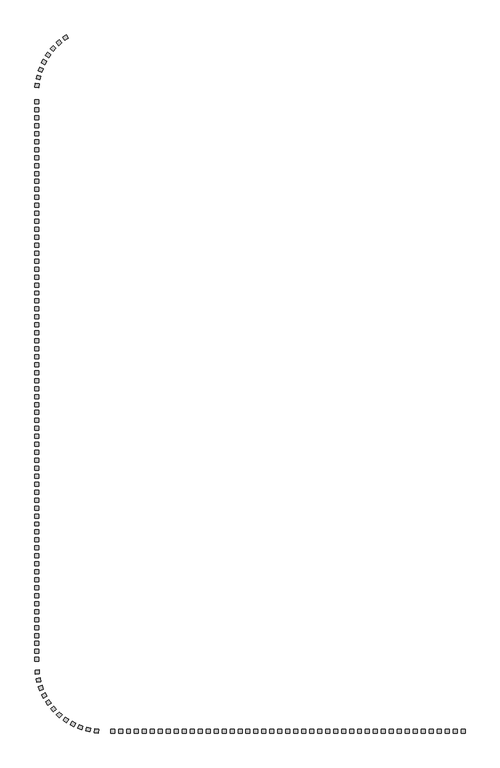
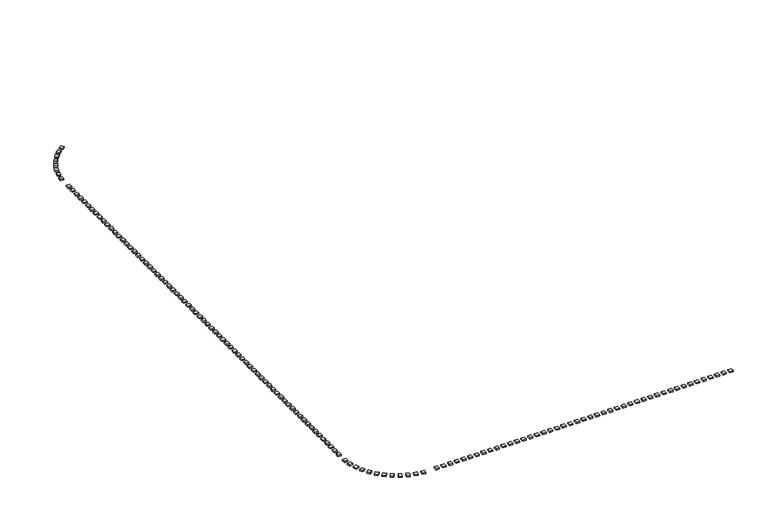
"""IFC4 building model written with IfcOpenShell, lengths in millimetres: railing geometry."""

import ifcopenshell
import ifcopenshell.guid

model = None  # the IFC model being written
_history = None  # IfcOwnerHistory: only IFC2X3 demands one
_inside = {}  # id of a spatial element -> (the spatial element, [elements in it])
_under = {}  # id of a project, library or spatial element -> (it, [spatial elements below it])
_declared = {}  # id of a project -> (the project, [libraries it declares])
_typed = {}  # id of a type object -> (the type object, [elements of that type])
_made_of = {}  # id of a material, layer set ... -> (it, [elements and type objects made of it])


def new_model(schema):
    """Start an empty IFC model of exactly this schema.

    Asked for "IFC4X3", IfcOpenShell would pick the latest addendum, in which some entities
    have other attributes; the version numbers below select the first issue.
    IFC2X3 requires an IfcOwnerHistory on every rooted entity: one is made here for all.
    """
    global model, _history
    if schema == "IFC4X3":
        model = ifcopenshell.file(schema_version=(4, 3, 0, 0))
    else:
        model = ifcopenshell.file(schema=schema)
    _inside.clear()
    _under.clear()
    _declared.clear()
    _typed.clear()
    _made_of.clear()
    _history = None
    if model.schema == "IFC2X3":
        org = make("IfcOrganization", Name="unknown")
        user = make(
            "IfcPersonAndOrganization",
            ThePerson=make("IfcPerson", FamilyName="unknown"),
            TheOrganization=org,
        )
        app = make(
            "IfcApplication",
            ApplicationDeveloper=org,
            Version="unknown",
            ApplicationFullName="unknown",
            ApplicationIdentifier="unknown",
        )
        _history = make(
            "IfcOwnerHistory",
            OwningUser=user,
            OwningApplication=app,
            ChangeAction="ADDED",
            CreationDate=0,
        )
    return model


def make(cls, **values):
    """One entity of the class cls with the attributes given. An attribute that is None is left unset."""
    return model.create_entity(
        cls, **{name: value for name, value in values.items() if value is not None}
    )


def rooted(cls, **values):
    """An entity with a GlobalId (a new one), such as an element, a storey or a relation."""
    return make(cls, GlobalId=ifcopenshell.guid.new(), OwnerHistory=_history, **values)


def si_unit(unit_type, name, prefix=None):
    """IfcSIUnit, for example si_unit("LENGTHUNIT", "METRE", prefix="MILLI")."""
    return make("IfcSIUnit", UnitType=unit_type, Prefix=prefix, Name=name)


def assignment(units):
    """IfcUnitAssignment: the units of a project."""
    return None if units is None else make("IfcUnitAssignment", Units=units)


def point(xyz):
    """IfcCartesianPoint."""
    return None if xyz is None else make("IfcCartesianPoint", Coordinates=xyz)


def direction(xyz):
    """IfcDirection."""
    return None if xyz is None else make("IfcDirection", DirectionRatios=xyz)


def frame(location, z_axis=None, x_axis=None):
    """IfcAxis2Placement3D, a coordinate frame: its origin and axes. An axis left out is left unset."""
    return make(
        "IfcAxis2Placement3D",
        Location=point(location),
        Axis=direction(z_axis),
        RefDirection=direction(x_axis),
    )


def origin():
    """The frame at (0, 0, 0) with its axes left unset."""
    return frame((0.0, 0.0, 0.0))


def origin_with_axes():
    """The frame at (0, 0, 0) with the z axis (0, 0, 1) and the x axis (1, 0, 0) written out."""
    return frame((0.0, 0.0, 0.0), z_axis=(0.0, 0.0, 1.0), x_axis=(1.0, 0.0, 0.0))


def place(relative_to, where):
    """IfcLocalPlacement: puts the frame where relative to a parent placement (None: the world)."""
    return make(
        "IfcLocalPlacement", PlacementRelTo=relative_to, RelativePlacement=where
    )


def context(
    kind, dimensions, precision=None, world=None, true_north=None, identifier=None
):
    """IfcGeometricRepresentationContext, for example the 3D "Model" context."""
    return make(
        "IfcGeometricRepresentationContext",
        ContextIdentifier=identifier,
        ContextType=kind,
        CoordinateSpaceDimension=dimensions,
        Precision=precision,
        WorldCoordinateSystem=world,
        TrueNorth=true_north,
    )


def project(units=None, contexts=None):
    """IfcProject with its units and contexts."""
    return rooted(
        "IfcProject",
        Name="project",
        RepresentationContexts=contexts,
        UnitsInContext=assignment(units),
    )


def spatial(cls, under=None, at=None, **own):
    """A site, building, storey or space (cls), placed at a placement, below another one or the project."""
    s = rooted(cls, ObjectPlacement=at, **own)
    if under is not None:
        _under.setdefault(under.id(), (under, []))[1].append(s)
    return s


def polyline(points):
    """IfcPolyline through the points."""
    return make("IfcPolyline", Points=[point(p) for p in points])


def outline(outer, holes=None, kind="AREA"):
    """IfcArbitraryClosedProfileDef: a profile drawn as a closed curve; with holes, ...WithVoids."""
    if holes is None:
        return make("IfcArbitraryClosedProfileDef", ProfileType=kind, OuterCurve=outer)
    return make(
        "IfcArbitraryProfileDefWithVoids",
        ProfileType=kind,
        OuterCurve=outer,
        InnerCurves=holes,
    )


def extrude(swept, where, along, depth):
    """IfcExtrudedAreaSolid: the profile swept, set in the frame where, extruded along a direction by depth."""
    return make(
        "IfcExtrudedAreaSolid",
        SweptArea=swept,
        Position=where,
        ExtrudedDirection=direction(along),
        Depth=depth,
    )


def shape(context_of_items, identifier, shape_type, items):
    """IfcShapeRepresentation: the items that make up one representation, for example the "Body"."""
    return make(
        "IfcShapeRepresentation",
        ContextOfItems=context_of_items,
        RepresentationIdentifier=identifier,
        RepresentationType=shape_type,
        Items=items,
    )


def source(mapping_origin, context_of_items, identifier, shape_type, items):
    """IfcRepresentationMap: a shape defined once, which mapped items show again and again."""
    return make(
        "IfcRepresentationMap",
        MappingOrigin=mapping_origin,
        MappedRepresentation=shape(context_of_items, identifier, shape_type, items),
    )


def transform(
    local_origin,
    x_axis=None,
    y_axis=None,
    z_axis=None,
    scale=None,
    scale2=None,
    scale3=None,
    uniform=True,
):
    """IfcCartesianTransformationOperator3D, or its non-uniform kind. x_axis, y_axis, z_axis: its Axis1, 2, 3."""
    if uniform:
        return make(
            "IfcCartesianTransformationOperator3D",
            Axis1=direction(x_axis),
            Axis2=direction(y_axis),
            LocalOrigin=point(local_origin),
            Scale=scale,
            Axis3=direction(z_axis),
        )
    return make(
        "IfcCartesianTransformationOperator3DnonUniform",
        Axis1=direction(x_axis),
        Axis2=direction(y_axis),
        LocalOrigin=point(local_origin),
        Scale=scale,
        Axis3=direction(z_axis),
        Scale2=scale2,
        Scale3=scale3,
    )


def mapped(mapping_source, mapping_target):
    """IfcMappedItem: shows the shape of a source again, moved by a transform."""
    return make(
        "IfcMappedItem", MappingSource=mapping_source, MappingTarget=mapping_target
    )


def made_of(thing, what):
    """Note that an element or type object is made of a material, layer set ...; save() writes the relation."""
    if what is not None:
        _made_of.setdefault(what.id(), (what, []))[1].append(thing)
    return thing


def element(
    cls,
    number,
    at=None,
    inside=None,
    cuts=None,
    type_object=None,
    material=None,
    context=None,
    identifier="Body",
    shape_type=None,
    held_by="IfcProductDefinitionShape",
    body=None,
    shapes=None,
    **own,
):
    """One element of the class cls, such as IfcWall. Its Tag is "e" and its number.

    at: its placement. inside: the storey or other place that contains it. cuts: it is an
    opening in that element (IfcRelVoidsElement). A single representation is given by context,
    identifier, shape_type and body (its items); several are given by shapes. held_by: the class
    of the entity that holds the representations. save() writes the other relations.
    """
    e = rooted(cls, Tag="e%d" % number, ObjectPlacement=at, **own)
    if body is not None:
        shapes = [shape(context, identifier, shape_type, body)]
    if shapes is not None:
        e.Representation = make(held_by, Representations=shapes)
    if inside is not None:
        _inside.setdefault(inside.id(), (inside, []))[1].append(e)
    if cuts is not None:
        rooted(
            "IfcRelVoidsElement", RelatingBuildingElement=cuts, RelatedOpeningElement=e
        )
    if type_object is not None:
        _typed.setdefault(type_object.id(), (type_object, []))[1].append(e)
    return made_of(e, material)


def aggregate(whole, parts):
    """IfcRelAggregates: a whole, such as a stair, and the parts it consists of."""
    return rooted("IfcRelAggregates", RelatingObject=whole, RelatedObjects=parts)


def save(model, path):
    """Write the relations noted so far, then the file.

    IfcRelAggregates (storeys below a building ...), IfcRelContainedInSpatialStructure (elements
    in a storey), IfcRelDefinesByType, IfcRelAssociatesMaterial and IfcRelDeclares: one each for
    every whole, place, type object, material and project.
    """
    for whole, parts in _under.values():
        aggregate(whole, parts)
    for where, things in _inside.values():
        rooted(
            "IfcRelContainedInSpatialStructure",
            RelatedElements=things,
            RelatingStructure=where,
        )
    for kind, things in _typed.values():
        rooted("IfcRelDefinesByType", RelatedObjects=things, RelatingType=kind)
    for what, things in _made_of.values():
        rooted("IfcRelAssociatesMaterial", RelatedObjects=things, RelatingMaterial=what)
    for by, libraries in _declared.values():
        rooted("IfcRelDeclares", RelatingContext=by, RelatedDefinitions=libraries)
    model.write(path)


def railing_05899e34(model_context):
    return source(origin(), model_context, "Body", "SweptSolid", [
        extrude(outline(polyline([(-74223.7110861, 35856.6818206), (-73953.5599332, 35435.9463282), (-74374.2954256, 35165.7951753), (-74644.4465785, 35586.5306677), (-74223.7110861, 35856.6818206)])), origin_with_axes(), (0.0, 0.0, 1.0), 200.0),
        extrude(outline(polyline([(-75079.6147807, 35228.2982187), (-74759.1163516, 34844.5264676), (-75142.8881027, 34524.0280385), (-75463.3865318, 34907.7997897), (-75079.6147807, 35228.2982187)])), origin_with_axes(), (0.0, 0.0, 1.0), 200.0),
        extrude(outline(polyline([(-75850.4968717, 34498.1079099), (-75484.6524373, 34157.2885299), (-75825.4718173, 33791.4440955), (-76191.3162517, 34132.2634755), (-75850.4968717, 34498.1079099)])), origin_with_axes(), (0.0, 0.0, 1.0), 200.0),
        extrude(outline(polyline([(-76524.3280021, 33677.5052697), (-76118.8464423, 33384.9566333), (-76411.3950788, 32979.4750735), (-76816.8766385, 33272.02371), (-76524.3280021, 33677.5052697)])), origin_with_axes(), (0.0, 0.0, 1.0), 200.0),
        extrude(outline(polyline([(-77090.5932623, 32779.2955279), (-76651.8019814, 32539.5827586), (-76891.5147507, 32100.7914776), (-77330.3060316, 32340.5042469), (-77090.5932623, 32779.2955279)])), origin_with_axes(), (0.0, 0.0, 1.0), 200.0),
        extrude(outline(polyline([(-77540.4562725, 31817.494947), (-77075.2024616, 31634.3586824), (-77258.3387261, 31169.1048715), (-77723.5925371, 31352.241136), (-77540.4562725, 31817.494947)])), origin_with_axes(), (0.0, 0.0, 1.0), 200.0),
        extrude(outline(polyline([(-77866.8970708, 30807.1121034), (-77382.44086, 30683.4101238), (-77506.1428396, 30198.9539129), (-77990.5990504, 30322.6558925), (-77866.8970708, 30807.1121034)])), origin_with_axes(), (0.0, 0.0, 1.0), 200.0),
        extrude(outline(polyline([(-78064.8216577, 29763.9136835), (-77568.7228241, 29701.5763168), (-77631.0601908, 29205.4774832), (-78127.1590244, 29267.8148499), (-78064.8216577, 29763.9136835)])), origin_with_axes(), (0.0, 0.0, 1.0), 200.0),
        extrude(outline(polyline([(-78131.1414863, 27704.1784497), (-77631.1414863, 27704.1784497), (-77631.1414863, 27204.1784497), (-78131.1414863, 27204.1784497), (-78131.1414863, 27704.1784497)])), origin_with_axes(), (0.0, 0.0, 1.0), 200.0),
        extrude(outline(polyline([(-78131.1414863, 26704.1784497), (-77631.1414863, 26704.1784497), (-77631.1414863, 26204.1784497), (-78131.1414863, 26204.1784497), (-78131.1414863, 26704.1784497)])), origin_with_axes(), (0.0, 0.0, 1.0), 200.0),
        extrude(outline(polyline([(-78131.1414863, 25704.1784497), (-77631.1414863, 25704.1784497), (-77631.1414863, 25204.1784497), (-78131.1414863, 25204.1784497), (-78131.1414863, 25704.1784497)])), origin_with_axes(), (0.0, 0.0, 1.0), 200.0),
        extrude(outline(polyline([(-78131.1414863, 24704.1784497), (-77631.1414863, 24704.1784497), (-77631.1414863, 24204.1784497), (-78131.1414863, 24204.1784497), (-78131.1414863, 24704.1784497)])), origin_with_axes(), (0.0, 0.0, 1.0), 200.0),
        extrude(outline(polyline([(-78131.1414863, 23704.1784497), (-77631.1414863, 23704.1784497), (-77631.1414863, 23204.1784497), (-78131.1414863, 23204.1784497), (-78131.1414863, 23704.1784497)])), origin_with_axes(), (0.0, 0.0, 1.0), 200.0),
        extrude(outline(polyline([(-78131.1414863, 22704.1784497), (-77631.1414863, 22704.1784497), (-77631.1414863, 22204.1784497), (-78131.1414863, 22204.1784497), (-78131.1414863, 22704.1784497)])), origin_with_axes(), (0.0, 0.0, 1.0), 200.0),
        extrude(outline(polyline([(-78131.1414863, 21704.1784497), (-77631.1414863, 21704.1784497), (-77631.1414863, 21204.1784497), (-78131.1414863, 21204.1784497), (-78131.1414863, 21704.1784497)])), origin_with_axes(), (0.0, 0.0, 1.0), 200.0),
        extrude(outline(polyline([(-78131.1414863, 20704.1784497), (-77631.1414863, 20704.1784497), (-77631.1414863, 20204.1784497), (-78131.1414863, 20204.1784497), (-78131.1414863, 20704.1784497)])), origin_with_axes(), (0.0, 0.0, 1.0), 200.0),
        extrude(outline(polyline([(-78131.1414863, 19704.1784497), (-77631.1414863, 19704.1784497), (-77631.1414863, 19204.1784497), (-78131.1414863, 19204.1784497), (-78131.1414863, 19704.1784497)])), origin_with_axes(), (0.0, 0.0, 1.0), 200.0),
        extrude(outline(polyline([(-78131.1414863, 18704.1784497), (-77631.1414863, 18704.1784497), (-77631.1414863, 18204.1784497), (-78131.1414863, 18204.1784497), (-78131.1414863, 18704.1784497)])), origin_with_axes(), (0.0, 0.0, 1.0), 200.0),
        extrude(outline(polyline([(-78131.1414863, 17704.1784497), (-77631.1414863, 17704.1784497), (-77631.1414863, 17204.1784497), (-78131.1414863, 17204.1784497), (-78131.1414863, 17704.1784497)])), origin_with_axes(), (0.0, 0.0, 1.0), 200.0),
        extrude(outline(polyline([(-78131.1414863, 16704.1784497), (-77631.1414863, 16704.1784497), (-77631.1414863, 16204.1784497), (-78131.1414863, 16204.1784497), (-78131.1414863, 16704.1784497)])), origin_with_axes(), (0.0, 0.0, 1.0), 200.0),
        extrude(outline(polyline([(-78131.1414863, 15704.1784497), (-77631.1414863, 15704.1784497), (-77631.1414863, 15204.1784497), (-78131.1414863, 15204.1784497), (-78131.1414863, 15704.1784497)])), origin_with_axes(), (0.0, 0.0, 1.0), 200.0),
        extrude(outline(polyline([(-78131.1414863, 14704.1784497), (-77631.1414863, 14704.1784497), (-77631.1414863, 14204.1784497), (-78131.1414863, 14204.1784497), (-78131.1414863, 14704.1784497)])), origin_with_axes(), (0.0, 0.0, 1.0), 200.0),
        extrude(outline(polyline([(-78131.1414863, 13704.1784497), (-77631.1414863, 13704.1784497), (-77631.1414863, 13204.1784497), (-78131.1414863, 13204.1784497), (-78131.1414863, 13704.1784497)])), origin_with_axes(), (0.0, 0.0, 1.0), 200.0),
        extrude(outline(polyline([(-78131.1414863, 12704.1784497), (-77631.1414863, 12704.1784497), (-77631.1414863, 12204.1784497), (-78131.1414863, 12204.1784497), (-78131.1414863, 12704.1784497)])), origin_with_axes(), (0.0, 0.0, 1.0), 200.0),
        extrude(outline(polyline([(-78131.1414863, 11704.1784497), (-77631.1414863, 11704.1784497), (-77631.1414863, 11204.1784497), (-78131.1414863, 11204.1784497), (-78131.1414863, 11704.1784497)])), origin_with_axes(), (0.0, 0.0, 1.0), 200.0),
        extrude(outline(polyline([(-78131.1414863, 10704.1784497), (-77631.1414863, 10704.1784497), (-77631.1414863, 10204.1784497), (-78131.1414863, 10204.1784497), (-78131.1414863, 10704.1784497)])), origin_with_axes(), (0.0, 0.0, 1.0), 200.0),
        extrude(outline(polyline([(-78131.1414863, 9704.1784497), (-77631.1414863, 9704.1784497), (-77631.1414863, 9204.1784497), (-78131.1414863, 9204.1784497), (-78131.1414863, 9704.1784497)])), origin_with_axes(), (0.0, 0.0, 1.0), 200.0),
        extrude(outline(polyline([(-78131.1414863, 8704.1784497), (-77631.1414863, 8704.1784497), (-77631.1414863, 8204.1784497), (-78131.1414863, 8204.1784497), (-78131.1414863, 8704.1784497)])), origin_with_axes(), (0.0, 0.0, 1.0), 200.0),
        extrude(outline(polyline([(-78131.1414863, 7704.1784497), (-77631.1414863, 7704.1784497), (-77631.1414863, 7204.1784497), (-78131.1414863, 7204.1784497), (-78131.1414863, 7704.1784497)])), origin_with_axes(), (0.0, 0.0, 1.0), 200.0),
        extrude(outline(polyline([(-78131.1414863, 6704.1784497), (-77631.1414863, 6704.1784497), (-77631.1414863, 6204.1784497), (-78131.1414863, 6204.1784497), (-78131.1414863, 6704.1784497)])), origin_with_axes(), (0.0, 0.0, 1.0), 200.0),
        extrude(outline(polyline([(-78131.1414863, 5704.1784497), (-77631.1414863, 5704.1784497), (-77631.1414863, 5204.1784497), (-78131.1414863, 5204.1784497), (-78131.1414863, 5704.1784497)])), origin_with_axes(), (0.0, 0.0, 1.0), 200.0),
        extrude(outline(polyline([(-78131.1414863, 4704.1784497), (-77631.1414863, 4704.1784497), (-77631.1414863, 4204.1784497), (-78131.1414863, 4204.1784497), (-78131.1414863, 4704.1784497)])), origin_with_axes(), (0.0, 0.0, 1.0), 200.0),
        extrude(outline(polyline([(-78131.1414863, 3704.1784497), (-77631.1414863, 3704.1784497), (-77631.1414863, 3204.1784497), (-78131.1414863, 3204.1784497), (-78131.1414863, 3704.1784497)])), origin_with_axes(), (0.0, 0.0, 1.0), 200.0),
        extrude(outline(polyline([(-78131.1414863, 2704.1784497), (-77631.1414863, 2704.1784497), (-77631.1414863, 2204.1784497), (-78131.1414863, 2204.1784497), (-78131.1414863, 2704.1784497)])), origin_with_axes(), (0.0, 0.0, 1.0), 200.0),
        extrude(outline(polyline([(-78131.1414863, 1704.1784497), (-77631.1414863, 1704.1784497), (-77631.1414863, 1204.1784497), (-78131.1414863, 1204.1784497), (-78131.1414863, 1704.1784497)])), origin_with_axes(), (0.0, 0.0, 1.0), 200.0),
        extrude(outline(polyline([(-78131.1414863, 704.1784497), (-77631.1414863, 704.1784497), (-77631.1414863, 204.1784497), (-78131.1414863, 204.1784497), (-78131.1414863, 704.1784497)])), origin_with_axes(), (0.0, 0.0, 1.0), 200.0),
        extrude(outline(polyline([(-78131.1414863, -295.8215503), (-77631.1414863, -295.8215503), (-77631.1414863, -795.8215503), (-78131.1414863, -795.8215503), (-78131.1414863, -295.8215503)])), origin_with_axes(), (0.0, 0.0, 1.0), 200.0),
        extrude(outline(polyline([(-78131.1414863, -1295.8215503), (-77631.1414863, -1295.8215503), (-77631.1414863, -1795.8215503), (-78131.1414863, -1795.8215503), (-78131.1414863, -1295.8215503)])), origin_with_axes(), (0.0, 0.0, 1.0), 200.0),
        extrude(outline(polyline([(-78131.1414863, -2295.8215503), (-77631.1414863, -2295.8215503), (-77631.1414863, -2795.8215503), (-78131.1414863, -2795.8215503), (-78131.1414863, -2295.8215503)])), origin_with_axes(), (0.0, 0.0, 1.0), 200.0),
        extrude(outline(polyline([(-78131.1414863, -3295.8215503), (-77631.1414863, -3295.8215503), (-77631.1414863, -3795.8215503), (-78131.1414863, -3795.8215503), (-78131.1414863, -3295.8215503)])), origin_with_axes(), (0.0, 0.0, 1.0), 200.0),
        extrude(outline(polyline([(-78131.1414863, -4295.8215503), (-77631.1414863, -4295.8215503), (-77631.1414863, -4795.8215503), (-78131.1414863, -4795.8215503), (-78131.1414863, -4295.8215503)])), origin_with_axes(), (0.0, 0.0, 1.0), 200.0),
        extrude(outline(polyline([(-78131.1414863, -5295.8215503), (-77631.1414863, -5295.8215503), (-77631.1414863, -5795.8215503), (-78131.1414863, -5795.8215503), (-78131.1414863, -5295.8215503)])), origin_with_axes(), (0.0, 0.0, 1.0), 200.0),
        extrude(outline(polyline([(-78131.1414863, -6295.8215503), (-77631.1414863, -6295.8215503), (-77631.1414863, -6795.8215503), (-78131.1414863, -6795.8215503), (-78131.1414863, -6295.8215503)])), origin_with_axes(), (0.0, 0.0, 1.0), 200.0),
        extrude(outline(polyline([(-78131.1414863, -7295.8215503), (-77631.1414863, -7295.8215503), (-77631.1414863, -7795.8215503), (-78131.1414863, -7795.8215503), (-78131.1414863, -7295.8215503)])), origin_with_axes(), (0.0, 0.0, 1.0), 200.0),
        extrude(outline(polyline([(-78131.1414863, -8295.8215503), (-77631.1414863, -8295.8215503), (-77631.1414863, -8795.8215503), (-78131.1414863, -8795.8215503), (-78131.1414863, -8295.8215503)])), origin_with_axes(), (0.0, 0.0, 1.0), 200.0),
        extrude(outline(polyline([(-78131.1414863, -9295.8215503), (-77631.1414863, -9295.8215503), (-77631.1414863, -9795.8215503), (-78131.1414863, -9795.8215503), (-78131.1414863, -9295.8215503)])), origin_with_axes(), (0.0, 0.0, 1.0), 200.0),
        extrude(outline(polyline([(-78131.1414863, -10295.8215503), (-77631.1414863, -10295.8215503), (-77631.1414863, -10795.8215503), (-78131.1414863, -10795.8215503), (-78131.1414863, -10295.8215503)])), origin_with_axes(), (0.0, 0.0, 1.0), 200.0),
        extrude(outline(polyline([(-78131.1414863, -11295.8215503), (-77631.1414863, -11295.8215503), (-77631.1414863, -11795.8215503), (-78131.1414863, -11795.8215503), (-78131.1414863, -11295.8215503)])), origin_with_axes(), (0.0, 0.0, 1.0), 200.0),
        extrude(outline(polyline([(-78131.1414863, -12295.8215503), (-77631.1414863, -12295.8215503), (-77631.1414863, -12795.8215503), (-78131.1414863, -12795.8215503), (-78131.1414863, -12295.8215503)])), origin_with_axes(), (0.0, 0.0, 1.0), 200.0),
        extrude(outline(polyline([(-78131.1414863, -13295.8215503), (-77631.1414863, -13295.8215503), (-77631.1414863, -13795.8215503), (-78131.1414863, -13795.8215503), (-78131.1414863, -13295.8215503)])), origin_with_axes(), (0.0, 0.0, 1.0), 200.0),
        extrude(outline(polyline([(-78131.1414863, -14295.8215503), (-77631.1414863, -14295.8215503), (-77631.1414863, -14795.8215503), (-78131.1414863, -14795.8215503), (-78131.1414863, -14295.8215503)])), origin_with_axes(), (0.0, 0.0, 1.0), 200.0),
        extrude(outline(polyline([(-78131.1414863, -15295.8215503), (-77631.1414863, -15295.8215503), (-77631.1414863, -15795.8215503), (-78131.1414863, -15795.8215503), (-78131.1414863, -15295.8215503)])), origin_with_axes(), (0.0, 0.0, 1.0), 200.0),
        extrude(outline(polyline([(-78131.1414863, -16295.8215503), (-77631.1414863, -16295.8215503), (-77631.1414863, -16795.8215503), (-78131.1414863, -16795.8215503), (-78131.1414863, -16295.8215503)])), origin_with_axes(), (0.0, 0.0, 1.0), 200.0),
        extrude(outline(polyline([(-78131.1414863, -17295.8215503), (-77631.1414863, -17295.8215503), (-77631.1414863, -17795.8215503), (-78131.1414863, -17795.8215503), (-78131.1414863, -17295.8215503)])), origin_with_axes(), (0.0, 0.0, 1.0), 200.0),
        extrude(outline(polyline([(-78131.1414863, -18295.8215503), (-77631.1414863, -18295.8215503), (-77631.1414863, -18795.8215503), (-78131.1414863, -18795.8215503), (-78131.1414863, -18295.8215503)])), origin_with_axes(), (0.0, 0.0, 1.0), 200.0),
        extrude(outline(polyline([(-78131.1414863, -19295.8215503), (-77631.1414863, -19295.8215503), (-77631.1414863, -19795.8215503), (-78131.1414863, -19795.8215503), (-78131.1414863, -19295.8215503)])), origin_with_axes(), (0.0, 0.0, 1.0), 200.0),
        extrude(outline(polyline([(-78131.1414863, -20295.8215503), (-77631.1414863, -20295.8215503), (-77631.1414863, -20795.8215503), (-78131.1414863, -20795.8215503), (-78131.1414863, -20295.8215503)])), origin_with_axes(), (0.0, 0.0, 1.0), 200.0),
        extrude(outline(polyline([(-78131.1414863, -21295.8215503), (-77631.1414863, -21295.8215503), (-77631.1414863, -21795.8215503), (-78131.1414863, -21795.8215503), (-78131.1414863, -21295.8215503)])), origin_with_axes(), (0.0, 0.0, 1.0), 200.0),
        extrude(outline(polyline([(-78131.1414863, -22295.8215503), (-77631.1414863, -22295.8215503), (-77631.1414863, -22795.8215503), (-78131.1414863, -22795.8215503), (-78131.1414863, -22295.8215503)])), origin_with_axes(), (0.0, 0.0, 1.0), 200.0),
        extrude(outline(polyline([(-78131.1414863, -23295.8215503), (-77631.1414863, -23295.8215503), (-77631.1414863, -23795.8215503), (-78131.1414863, -23795.8215503), (-78131.1414863, -23295.8215503)])), origin_with_axes(), (0.0, 0.0, 1.0), 200.0),
        extrude(outline(polyline([(-78131.1414863, -24295.8215503), (-77631.1414863, -24295.8215503), (-77631.1414863, -24795.8215503), (-78131.1414863, -24795.8215503), (-78131.1414863, -24295.8215503)])), origin_with_axes(), (0.0, 0.0, 1.0), 200.0),
        extrude(outline(polyline([(-78131.1414863, -25295.8215503), (-77631.1414863, -25295.8215503), (-77631.1414863, -25795.8215503), (-78131.1414863, -25795.8215503), (-78131.1414863, -25295.8215503)])), origin_with_axes(), (0.0, 0.0, 1.0), 200.0),
        extrude(outline(polyline([(-78131.1414863, -26295.8215503), (-77631.1414863, -26295.8215503), (-77631.1414863, -26795.8215503), (-78131.1414863, -26795.8215503), (-78131.1414863, -26295.8215503)])), origin_with_axes(), (0.0, 0.0, 1.0), 200.0),
        extrude(outline(polyline([(-78131.1414863, -27295.8215503), (-77631.1414863, -27295.8215503), (-77631.1414863, -27795.8215503), (-78131.1414863, -27795.8215503), (-78131.1414863, -27295.8215503)])), origin_with_axes(), (0.0, 0.0, 1.0), 200.0),
        extrude(outline(polyline([(-78131.1414863, -28295.8215503), (-77631.1414863, -28295.8215503), (-77631.1414863, -28795.8215503), (-78131.1414863, -28795.8215503), (-78131.1414863, -28295.8215503)])), origin_with_axes(), (0.0, 0.0, 1.0), 200.0),
        extrude(outline(polyline([(-78131.1414863, -29295.8215503), (-77631.1414863, -29295.8215503), (-77631.1414863, -29795.8215503), (-78131.1414863, -29795.8215503), (-78131.1414863, -29295.8215503)])), origin_with_axes(), (0.0, 0.0, 1.0), 200.0),
        extrude(outline(polyline([(-78131.1414863, -30295.8215503), (-77631.1414863, -30295.8215503), (-77631.1414863, -30795.8215503), (-78131.1414863, -30795.8215503), (-78131.1414863, -30295.8215503)])), origin_with_axes(), (0.0, 0.0, 1.0), 200.0),
        extrude(outline(polyline([(-78131.1414863, -31295.8215503), (-77631.1414863, -31295.8215503), (-77631.1414863, -31795.8215503), (-78131.1414863, -31795.8215503), (-78131.1414863, -31295.8215503)])), origin_with_axes(), (0.0, 0.0, 1.0), 200.0),
        extrude(outline(polyline([(-78131.1414863, -32295.8215503), (-77631.1414863, -32295.8215503), (-77631.1414863, -32795.8215503), (-78131.1414863, -32795.8215503), (-78131.1414863, -32295.8215503)])), origin_with_axes(), (0.0, 0.0, 1.0), 200.0),
        extrude(outline(polyline([(-78131.1414863, -33295.8215503), (-77631.1414863, -33295.8215503), (-77631.1414863, -33795.8215503), (-78131.1414863, -33795.8215503), (-78131.1414863, -33295.8215503)])), origin_with_axes(), (0.0, 0.0, 1.0), 200.0),
        extrude(outline(polyline([(-78131.1414863, -34295.8215503), (-77631.1414863, -34295.8215503), (-77631.1414863, -34795.8215503), (-78131.1414863, -34795.8215503), (-78131.1414863, -34295.8215503)])), origin_with_axes(), (0.0, 0.0, 1.0), 200.0),
        extrude(outline(polyline([(-78131.1414863, -35295.8215503), (-77631.1414863, -35295.8215503), (-77631.1414863, -35795.8215503), (-78131.1414863, -35795.8215503), (-78131.1414863, -35295.8215503)])), origin_with_axes(), (0.0, 0.0, 1.0), 200.0),
        extrude(outline(polyline([(-78131.1414863, -36295.8215503), (-77631.1414863, -36295.8215503), (-77631.1414863, -36795.8215503), (-78131.1414863, -36795.8215503), (-78131.1414863, -36295.8215503)])), origin_with_axes(), (0.0, 0.0, 1.0), 200.0),
        extrude(outline(polyline([(-78131.1414863, -37295.8215503), (-77631.1414863, -37295.8215503), (-77631.1414863, -37795.8215503), (-78131.1414863, -37795.8215503), (-78131.1414863, -37295.8215503)])), origin_with_axes(), (0.0, 0.0, 1.0), 200.0),
        extrude(outline(polyline([(-78131.1414863, -38295.8215503), (-77631.1414863, -38295.8215503), (-77631.1414863, -38795.8215503), (-78131.1414863, -38795.8215503), (-78131.1414863, -38295.8215503)])), origin_with_axes(), (0.0, 0.0, 1.0), 200.0),
        extrude(outline(polyline([(-78131.1414863, -39295.8215503), (-77631.1414863, -39295.8215503), (-77631.1414863, -39795.8215503), (-78131.1414863, -39795.8215503), (-78131.1414863, -39295.8215503)])), origin_with_axes(), (0.0, 0.0, 1.0), 200.0),
        extrude(outline(polyline([(-78131.1414863, -40295.8215503), (-77631.1414863, -40295.8215503), (-77631.1414863, -40795.8215503), (-78131.1414863, -40795.8215503), (-78131.1414863, -40295.8215503)])), origin_with_axes(), (0.0, 0.0, 1.0), 200.0),
        extrude(outline(polyline([(-78131.1414863, -41295.8215503), (-77631.1414863, -41295.8215503), (-77631.1414863, -41795.8215503), (-78131.1414863, -41795.8215503), (-78131.1414863, -41295.8215503)])), origin_with_axes(), (0.0, 0.0, 1.0), 200.0),
        extrude(outline(polyline([(-78131.1414863, -42295.8215503), (-77631.1414863, -42295.8215503), (-77631.1414863, -42795.8215503), (-78131.1414863, -42795.8215503), (-78131.1414863, -42295.8215503)])), origin_with_axes(), (0.0, 0.0, 1.0), 200.0),
        extrude(outline(polyline([(-78109.8488724, -43897.0877644), (-77611.1013791, -43861.7191636), (-77575.7327783, -44360.4666569), (-78074.4802716, -44395.8352577), (-78109.8488724, -43897.0877644)])), origin_with_axes(), (0.0, 0.0, 1.0), 200.0),
        extrude(outline(polyline([(-77968.732471, -44949.4770682), (-77478.2859425, -44852.2032142), (-77381.0120885, -45342.6497427), (-77871.458617, -45439.9235967), (-77968.732471, -44949.4770682)])), origin_with_axes(), (0.0, 0.0, 1.0), 200.0),
        extrude(outline(polyline([(-77697.5107508, -45976.0616306), (-77223.0184411, -45818.4004494), (-77065.3572599, -46292.8927591), (-77539.8495696, -46450.5539403), (-77697.5107508, -45976.0616306)])), origin_with_axes(), (0.0, 0.0, 1.0), 200.0),
        extrude(outline(polyline([(-77300.4160361, -46960.8219431), (-76849.2822391, -46745.2336847), (-76633.6939807, -47196.3674817), (-77084.8277777, -47411.9557401), (-77300.4160361, -46960.8219431)])), origin_with_axes(), (0.0, 0.0, 1.0), 200.0),
        extrude(outline(polyline([(-76783.6448571, -47888.3911501), (-76362.9093647, -47618.2399972), (-76092.7582118, -48038.9754896), (-76513.4937042, -48309.1266426), (-76783.6448571, -47888.3911501)])), origin_with_axes(), (0.0, 0.0, 1.0), 200.0),
        extrude(outline(polyline([(-76155.2612553, -48744.2948447), (-75771.4895042, -48423.7964156), (-75450.9910751, -48807.5681667), (-75834.7628262, -49128.0665958), (-76155.2612553, -48744.2948447)])), origin_with_axes(), (0.0, 0.0, 1.0), 200.0),
        extrude(outline(polyline([(-75425.0709465, -49515.1769357), (-75084.2515665, -49149.3325013), (-74718.407132, -49490.1518813), (-75059.226512, -49855.9963157), (-75425.0709465, -49515.1769357)])), origin_with_axes(), (0.0, 0.0, 1.0), 200.0),
        extrude(outline(polyline([(-74604.4683063, -50189.0080661), (-74311.9196698, -49783.5265063), (-73906.43811, -50076.0751428), (-74198.9867465, -50481.5567025), (-74604.4683063, -50189.0080661)])), origin_with_axes(), (0.0, 0.0, 1.0), 200.0),
        extrude(outline(polyline([(-73706.2585644, -50755.2733263), (-73466.5457951, -50316.4820454), (-73027.7545142, -50556.1948147), (-73267.4672835, -50994.9860956), (-73706.2585644, -50755.2733263)])), origin_with_axes(), (0.0, 0.0, 1.0), 200.0),
        extrude(outline(polyline([(-72744.4579835, -51205.1363365), (-72561.321719, -50739.8825256), (-72096.067908, -50923.0187901), (-72279.2041725, -51388.2726011), (-72744.4579835, -51205.1363365)])), origin_with_axes(), (0.0, 0.0, 1.0), 200.0),
        extrude(outline(polyline([(-71734.0751399, -51531.5771348), (-71610.3731603, -51047.120924), (-71125.9169494, -51170.8229036), (-71249.6189291, -51655.2791144), (-71734.0751399, -51531.5771348)])), origin_with_axes(), (0.0, 0.0, 1.0), 200.0),
        extrude(outline(polyline([(-70690.87672, -51729.5017217), (-70628.5393533, -51233.4028881), (-70132.4405197, -51295.7402548), (-70194.7778864, -51791.8390884), (-70690.87672, -51729.5017217)])), origin_with_axes(), (0.0, 0.0, 1.0), 200.0),
        extrude(outline(polyline([(-68631.1414863, -51795.8215503), (-68631.1414863, -51295.8215503), (-68131.1414863, -51295.8215503), (-68131.1414863, -51795.8215503), (-68631.1414863, -51795.8215503)])), origin_with_axes(), (0.0, 0.0, 1.0), 200.0),
        extrude(outline(polyline([(-67631.1414863, -51795.8215503), (-67631.1414863, -51295.8215503), (-67131.1414863, -51295.8215503), (-67131.1414863, -51795.8215503), (-67631.1414863, -51795.8215503)])), origin_with_axes(), (0.0, 0.0, 1.0), 200.0),
        extrude(outline(polyline([(-66631.1414863, -51795.8215503), (-66631.1414863, -51295.8215503), (-66131.1414863, -51295.8215503), (-66131.1414863, -51795.8215503), (-66631.1414863, -51795.8215503)])), origin_with_axes(), (0.0, 0.0, 1.0), 200.0),
        extrude(outline(polyline([(-65631.1414863, -51795.8215503), (-65631.1414863, -51295.8215503), (-65131.1414863, -51295.8215503), (-65131.1414863, -51795.8215503), (-65631.1414863, -51795.8215503)])), origin_with_axes(), (0.0, 0.0, 1.0), 200.0),
        extrude(outline(polyline([(-64631.1414863, -51795.8215503), (-64631.1414863, -51295.8215503), (-64131.1414863, -51295.8215503), (-64131.1414863, -51795.8215503), (-64631.1414863, -51795.8215503)])), origin_with_axes(), (0.0, 0.0, 1.0), 200.0),
        extrude(outline(polyline([(-63631.1414863, -51795.8215503), (-63631.1414863, -51295.8215503), (-63131.1414863, -51295.8215503), (-63131.1414863, -51795.8215503), (-63631.1414863, -51795.8215503)])), origin_with_axes(), (0.0, 0.0, 1.0), 200.0),
        extrude(outline(polyline([(-62631.1414863, -51795.8215503), (-62631.1414863, -51295.8215503), (-62131.1414863, -51295.8215503), (-62131.1414863, -51795.8215503), (-62631.1414863, -51795.8215503)])), origin_with_axes(), (0.0, 0.0, 1.0), 200.0),
        extrude(outline(polyline([(-61631.1414863, -51795.8215503), (-61631.1414863, -51295.8215503), (-61131.1414863, -51295.8215503), (-61131.1414863, -51795.8215503), (-61631.1414863, -51795.8215503)])), origin_with_axes(), (0.0, 0.0, 1.0), 200.0),
        extrude(outline(polyline([(-60631.1414863, -51795.8215503), (-60631.1414863, -51295.8215503), (-60131.1414863, -51295.8215503), (-60131.1414863, -51795.8215503), (-60631.1414863, -51795.8215503)])), origin_with_axes(), (0.0, 0.0, 1.0), 200.0),
        extrude(outline(polyline([(-59631.1414863, -51795.8215503), (-59631.1414863, -51295.8215503), (-59131.1414863, -51295.8215503), (-59131.1414863, -51795.8215503), (-59631.1414863, -51795.8215503)])), origin_with_axes(), (0.0, 0.0, 1.0), 200.0),
        extrude(outline(polyline([(-58631.1414863, -51795.8215503), (-58631.1414863, -51295.8215503), (-58131.1414863, -51295.8215503), (-58131.1414863, -51795.8215503), (-58631.1414863, -51795.8215503)])), origin_with_axes(), (0.0, 0.0, 1.0), 200.0),
        extrude(outline(polyline([(-57631.1414863, -51795.8215503), (-57631.1414863, -51295.8215503), (-57131.1414863, -51295.8215503), (-57131.1414863, -51795.8215503), (-57631.1414863, -51795.8215503)])), origin_with_axes(), (0.0, 0.0, 1.0), 200.0),
        extrude(outline(polyline([(-56631.1414863, -51795.8215503), (-56631.1414863, -51295.8215503), (-56131.1414863, -51295.8215503), (-56131.1414863, -51795.8215503), (-56631.1414863, -51795.8215503)])), origin_with_axes(), (0.0, 0.0, 1.0), 200.0),
        extrude(outline(polyline([(-55631.1414863, -51795.8215503), (-55631.1414863, -51295.8215503), (-55131.1414863, -51295.8215503), (-55131.1414863, -51795.8215503), (-55631.1414863, -51795.8215503)])), origin_with_axes(), (0.0, 0.0, 1.0), 200.0),
        extrude(outline(polyline([(-54631.1414863, -51795.8215503), (-54631.1414863, -51295.8215503), (-54131.1414863, -51295.8215503), (-54131.1414863, -51795.8215503), (-54631.1414863, -51795.8215503)])), origin_with_axes(), (0.0, 0.0, 1.0), 200.0),
        extrude(outline(polyline([(-53631.1414863, -51795.8215503), (-53631.1414863, -51295.8215503), (-53131.1414863, -51295.8215503), (-53131.1414863, -51795.8215503), (-53631.1414863, -51795.8215503)])), origin_with_axes(), (0.0, 0.0, 1.0), 200.0),
        extrude(outline(polyline([(-52631.1414863, -51795.8215503), (-52631.1414863, -51295.8215503), (-52131.1414863, -51295.8215503), (-52131.1414863, -51795.8215503), (-52631.1414863, -51795.8215503)])), origin_with_axes(), (0.0, 0.0, 1.0), 200.0),
        extrude(outline(polyline([(-51631.1414863, -51795.8215503), (-51631.1414863, -51295.8215503), (-51131.1414863, -51295.8215503), (-51131.1414863, -51795.8215503), (-51631.1414863, -51795.8215503)])), origin_with_axes(), (0.0, 0.0, 1.0), 200.0),
        extrude(outline(polyline([(-50631.1414863, -51795.8215503), (-50631.1414863, -51295.8215503), (-50131.1414863, -51295.8215503), (-50131.1414863, -51795.8215503), (-50631.1414863, -51795.8215503)])), origin_with_axes(), (0.0, 0.0, 1.0), 200.0),
        extrude(outline(polyline([(-49631.1414863, -51795.8215503), (-49631.1414863, -51295.8215503), (-49131.1414863, -51295.8215503), (-49131.1414863, -51795.8215503), (-49631.1414863, -51795.8215503)])), origin_with_axes(), (0.0, 0.0, 1.0), 200.0),
        extrude(outline(polyline([(-48631.1414863, -51795.8215503), (-48631.1414863, -51295.8215503), (-48131.1414863, -51295.8215503), (-48131.1414863, -51795.8215503), (-48631.1414863, -51795.8215503)])), origin_with_axes(), (0.0, 0.0, 1.0), 200.0),
        extrude(outline(polyline([(-47631.1414863, -51795.8215503), (-47631.1414863, -51295.8215503), (-47131.1414863, -51295.8215503), (-47131.1414863, -51795.8215503), (-47631.1414863, -51795.8215503)])), origin_with_axes(), (0.0, 0.0, 1.0), 200.0),
        extrude(outline(polyline([(-46631.1414863, -51795.8215503), (-46631.1414863, -51295.8215503), (-46131.1414863, -51295.8215503), (-46131.1414863, -51795.8215503), (-46631.1414863, -51795.8215503)])), origin_with_axes(), (0.0, 0.0, 1.0), 200.0),
        extrude(outline(polyline([(-45631.1414863, -51795.8215503), (-45631.1414863, -51295.8215503), (-45131.1414863, -51295.8215503), (-45131.1414863, -51795.8215503), (-45631.1414863, -51795.8215503)])), origin_with_axes(), (0.0, 0.0, 1.0), 200.0),
        extrude(outline(polyline([(-44631.1414863, -51795.8215503), (-44631.1414863, -51295.8215503), (-44131.1414863, -51295.8215503), (-44131.1414863, -51795.8215503), (-44631.1414863, -51795.8215503)])), origin_with_axes(), (0.0, 0.0, 1.0), 200.0),
        extrude(outline(polyline([(-43631.1414863, -51795.8215503), (-43631.1414863, -51295.8215503), (-43131.1414863, -51295.8215503), (-43131.1414863, -51795.8215503), (-43631.1414863, -51795.8215503)])), origin_with_axes(), (0.0, 0.0, 1.0), 200.0),
        extrude(outline(polyline([(-42631.1414863, -51795.8215503), (-42631.1414863, -51295.8215503), (-42131.1414863, -51295.8215503), (-42131.1414863, -51795.8215503), (-42631.1414863, -51795.8215503)])), origin_with_axes(), (0.0, 0.0, 1.0), 200.0),
        extrude(outline(polyline([(-41631.1414863, -51795.8215503), (-41631.1414863, -51295.8215503), (-41131.1414863, -51295.8215503), (-41131.1414863, -51795.8215503), (-41631.1414863, -51795.8215503)])), origin_with_axes(), (0.0, 0.0, 1.0), 200.0),
        extrude(outline(polyline([(-40631.1414863, -51795.8215503), (-40631.1414863, -51295.8215503), (-40131.1414863, -51295.8215503), (-40131.1414863, -51795.8215503), (-40631.1414863, -51795.8215503)])), origin_with_axes(), (0.0, 0.0, 1.0), 200.0),
        extrude(outline(polyline([(-39631.1414863, -51795.8215503), (-39631.1414863, -51295.8215503), (-39131.1414863, -51295.8215503), (-39131.1414863, -51795.8215503), (-39631.1414863, -51795.8215503)])), origin_with_axes(), (0.0, 0.0, 1.0), 200.0),
        extrude(outline(polyline([(-38631.1414863, -51795.8215503), (-38631.1414863, -51295.8215503), (-38131.1414863, -51295.8215503), (-38131.1414863, -51795.8215503), (-38631.1414863, -51795.8215503)])), origin_with_axes(), (0.0, 0.0, 1.0), 200.0),
        extrude(outline(polyline([(-37631.1414863, -51795.8215503), (-37631.1414863, -51295.8215503), (-37131.1414863, -51295.8215503), (-37131.1414863, -51795.8215503), (-37631.1414863, -51795.8215503)])), origin_with_axes(), (0.0, 0.0, 1.0), 200.0),
        extrude(outline(polyline([(-36631.1414863, -51795.8215503), (-36631.1414863, -51295.8215503), (-36131.1414863, -51295.8215503), (-36131.1414863, -51795.8215503), (-36631.1414863, -51795.8215503)])), origin_with_axes(), (0.0, 0.0, 1.0), 200.0),
        extrude(outline(polyline([(-35631.1414863, -51795.8215503), (-35631.1414863, -51295.8215503), (-35131.1414863, -51295.8215503), (-35131.1414863, -51795.8215503), (-35631.1414863, -51795.8215503)])), origin_with_axes(), (0.0, 0.0, 1.0), 200.0),
        extrude(outline(polyline([(-34631.1414863, -51795.8215503), (-34631.1414863, -51295.8215503), (-34131.1414863, -51295.8215503), (-34131.1414863, -51795.8215503), (-34631.1414863, -51795.8215503)])), origin_with_axes(), (0.0, 0.0, 1.0), 200.0),
        extrude(outline(polyline([(-33631.1414863, -51795.8215503), (-33631.1414863, -51295.8215503), (-33131.1414863, -51295.8215503), (-33131.1414863, -51795.8215503), (-33631.1414863, -51795.8215503)])), origin_with_axes(), (0.0, 0.0, 1.0), 200.0),
        extrude(outline(polyline([(-32631.1414863, -51795.8215503), (-32631.1414863, -51295.8215503), (-32131.1414863, -51295.8215503), (-32131.1414863, -51795.8215503), (-32631.1414863, -51795.8215503)])), origin_with_axes(), (0.0, 0.0, 1.0), 200.0),
        extrude(outline(polyline([(-31631.1414863, -51795.8215503), (-31631.1414863, -51295.8215503), (-31131.1414863, -51295.8215503), (-31131.1414863, -51795.8215503), (-31631.1414863, -51795.8215503)])), origin_with_axes(), (0.0, 0.0, 1.0), 200.0),
        extrude(outline(polyline([(-30631.1414863, -51795.8215503), (-30631.1414863, -51295.8215503), (-30131.1414863, -51295.8215503), (-30131.1414863, -51795.8215503), (-30631.1414863, -51795.8215503)])), origin_with_axes(), (0.0, 0.0, 1.0), 200.0),
        extrude(outline(polyline([(-29631.1414863, -51795.8215503), (-29631.1414863, -51295.8215503), (-29131.1414863, -51295.8215503), (-29131.1414863, -51795.8215503), (-29631.1414863, -51795.8215503)])), origin_with_axes(), (0.0, 0.0, 1.0), 200.0),
        extrude(outline(polyline([(-28631.1414863, -51795.8215503), (-28631.1414863, -51295.8215503), (-28131.1414863, -51295.8215503), (-28131.1414863, -51795.8215503), (-28631.1414863, -51795.8215503)])), origin_with_axes(), (0.0, 0.0, 1.0), 200.0),
        extrude(outline(polyline([(-27631.1414863, -51795.8215503), (-27631.1414863, -51295.8215503), (-27131.1414863, -51295.8215503), (-27131.1414863, -51795.8215503), (-27631.1414863, -51795.8215503)])), origin_with_axes(), (0.0, 0.0, 1.0), 200.0),
        extrude(outline(polyline([(-26631.1414863, -51795.8215503), (-26631.1414863, -51295.8215503), (-26131.1414863, -51295.8215503), (-26131.1414863, -51795.8215503), (-26631.1414863, -51795.8215503)])), origin_with_axes(), (0.0, 0.0, 1.0), 200.0),
        extrude(outline(polyline([(-25631.1414863, -51795.8215503), (-25631.1414863, -51295.8215503), (-25131.1414863, -51295.8215503), (-25131.1414863, -51795.8215503), (-25631.1414863, -51795.8215503)])), origin_with_axes(), (0.0, 0.0, 1.0), 200.0),
        extrude(outline(polyline([(-24631.1414863, -51795.8215503), (-24631.1414863, -51295.8215503), (-24131.1414863, -51295.8215503), (-24131.1414863, -51795.8215503), (-24631.1414863, -51795.8215503)])), origin_with_axes(), (0.0, 0.0, 1.0), 200.0),
    ])


if __name__ == "__main__":
    model = new_model("IFC4")
    model_context = context("Model", 3, world=origin())
    ifc_project = project(units=[si_unit("LENGTHUNIT", "METRE", prefix="MILLI")], contexts=[model_context])
    site = spatial("IfcSite", under=ifc_project)
    building = spatial("IfcBuilding", under=site)
    placement = place(None, origin())
    railing_shape = railing_05899e34(model_context)
    element("IfcRailing", 1, at=placement, inside=building, context=model_context, shape_type="MappedRepresentation", body=[
        mapped(railing_shape, transform((0.0, 0.0, 0.0), x_axis=(1.0, 0.0, 0.0), y_axis=(0.0, 1.0, 0.0), z_axis=(0.0, 0.0, 1.0))),
    ])
    save(model, "model.ifc")
